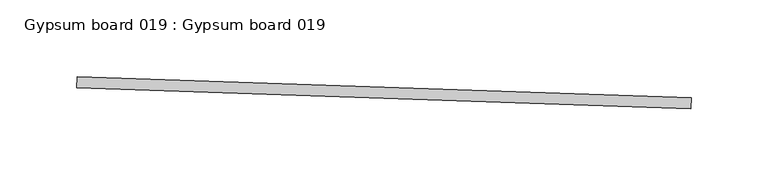
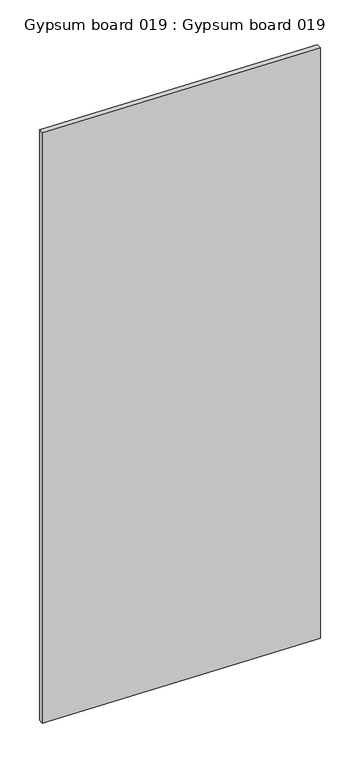
"""IFC4 building model written with IfcOpenShell, lengths in millimetres: proxy geometry, Gypsum board 019 : Gypsum board 019."""

from ifc_helpers import new_model, si_unit, frame, origin, place, context, project, spatial, polyline, outline, extrude, source, transform, mapped, element, save


def gypsum_board_019_gypsum_board_019_410c1533(model_context):
    return source(origin(), model_context, "Body", "SweptSolid", [
        extrude(outline(polyline([(32681.3392226, -15176.7103544), (32281.5232728, -15163.0279314), (32281.7667188, -15155.9141613), (32681.5826686, -15169.5965843), (32681.3392226, -15176.7103544)])), frame((0.0, 0.0, 1597.975708), z_axis=(0.0, 0.0, 1.0), x_axis=(1.0, 0.0, 0.0)), (0.0, 0.0, 1.0), 914.4),
    ])


if __name__ == "__main__":
    model = new_model("IFC4")
    model_context = context("Model", 3, world=origin())
    ifc_project = project(units=[si_unit("LENGTHUNIT", "METRE", prefix="MILLI")], contexts=[model_context])
    site = spatial("IfcSite", under=ifc_project)
    building = spatial("IfcBuilding", under=site)
    placement = place(None, origin())
    gypsum_board_019_gypsum_board_019_shape = gypsum_board_019_gypsum_board_019_410c1533(model_context)
    element("IfcBuildingElementProxy", 1, Name="Gypsum board 019 : Gypsum board 019", ObjectType="Gypsum board 019 : Gypsum board 019", at=placement, inside=building, context=model_context, shape_type="MappedRepresentation", body=[
        mapped(gypsum_board_019_gypsum_board_019_shape, transform((0.0, 0.0, 0.0), x_axis=(1.0, 0.0, 0.0), y_axis=(0.0, 1.0, 0.0), z_axis=(0.0, 0.0, 1.0))),
    ])
    save(model, "model.ifc")
